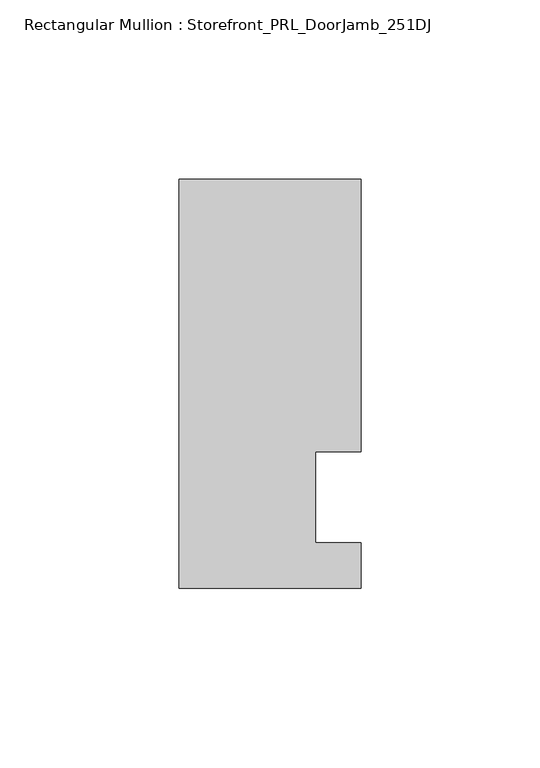
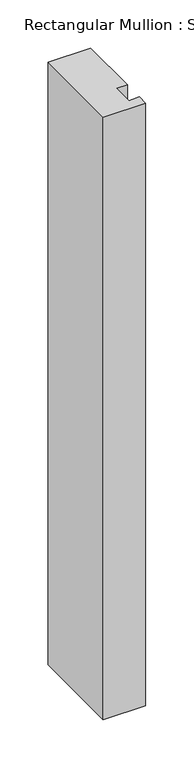
"""IFC4 building model written with IfcOpenShell, lengths in millimetres: member geometry, Rectangular Mullion : Storefront_PRL_DoorJamb_251DJ."""

from ifc_helpers import new_model, si_unit, frame, origin, place, context, project, spatial, polyline, outline, extrude, source, transform, mapped, element, save


def rectangular_mullion_storefront_prl_doorjamb_251dj_0fbd3d70(model_context):
    return source(origin(), model_context, "Body", "SweptSolid", [
        extrude(outline(polyline([(12.7, 12.7), (12.7, -12.7), (25.4, -12.7), (25.4, -25.4), (-25.4, -25.4), (-25.4, 88.9), (25.4, 88.9), (25.4, 12.7), (12.7, 12.7)])), frame((0.0, 0.0, -762.0), z_axis=(0.0, 0.0, 1.0), x_axis=(1.0, 0.0, 0.0)), (0.0, 0.0, 1.0), 762.0),
    ])


if __name__ == "__main__":
    model = new_model("IFC4")
    model_context = context("Model", 3, world=origin())
    ifc_project = project(units=[si_unit("LENGTHUNIT", "METRE", prefix="MILLI")], contexts=[model_context])
    site = spatial("IfcSite", under=ifc_project)
    building = spatial("IfcBuilding", under=site)
    placement = place(None, origin())
    rectangular_mullion_storefront_prl_doorjamb_251dj_shape = rectangular_mullion_storefront_prl_doorjamb_251dj_0fbd3d70(model_context)
    element("IfcMember", 1, ObjectType="Rectangular Mullion : Storefront_PRL_DoorJamb_251DJ", at=placement, inside=building, context=model_context, shape_type="MappedRepresentation", body=[
        mapped(rectangular_mullion_storefront_prl_doorjamb_251dj_shape, transform((0.0, 0.0, 0.0), x_axis=(1.0, 0.0, 0.0), y_axis=(0.0, 1.0, 0.0), z_axis=(0.0, 0.0, 1.0))),
    ])
    save(model, "model.ifc")
